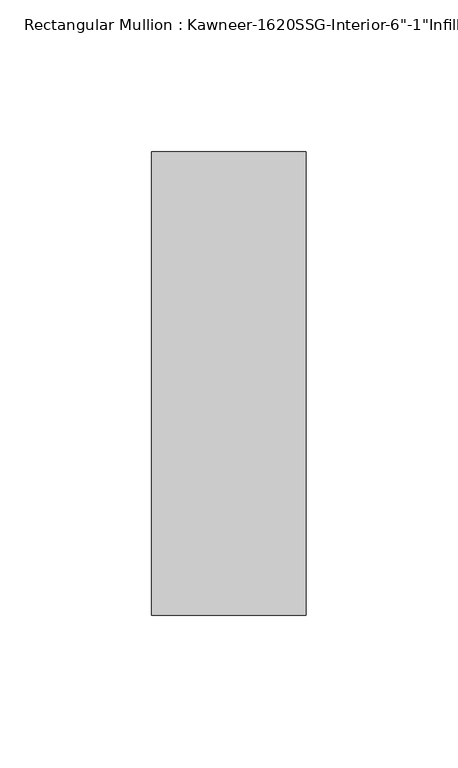
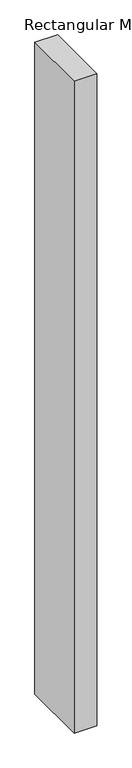
"""IFC4 building model written with IfcOpenShell, lengths in millimetres: member geometry."""

from ifc_helpers import new_model, si_unit, frame, origin, place, context, project, spatial, polyline, outline, extrude, source, transform, mapped, element, save


def member_078cad06(model_context):
    return source(origin(), model_context, "Body", "SweptSolid", [
        extrude(outline(polyline([(25.4, -114.3), (-25.4, -114.3), (-25.4, 38.1), (25.4, 38.1), (25.4, -114.3)])), frame((0.0, 0.0, -1543.9182369), z_axis=(0.0, 0.0, 1.0), x_axis=(1.0, 0.0, 0.0)), (0.0, 0.0, 1.0), 1543.9182369),
    ])


if __name__ == "__main__":
    model = new_model("IFC4")
    model_context = context("Model", 3, world=origin())
    ifc_project = project(units=[si_unit("LENGTHUNIT", "METRE", prefix="MILLI")], contexts=[model_context])
    site = spatial("IfcSite", under=ifc_project)
    building = spatial("IfcBuilding", under=site)
    placement = place(None, origin())
    member_shape = member_078cad06(model_context)
    element("IfcMember", 1, ObjectType="Rectangular Mullion : Kawneer-1620SSG-Interior-6\"-1\"Infill", at=placement, inside=building, context=model_context, shape_type="MappedRepresentation", body=[
        mapped(member_shape, transform((0.0, 0.0, 0.0), x_axis=(1.0, 0.0, 0.0), y_axis=(0.0, 1.0, 0.0), z_axis=(0.0, 0.0, 1.0))),
    ])
    save(model, "model.ifc")
